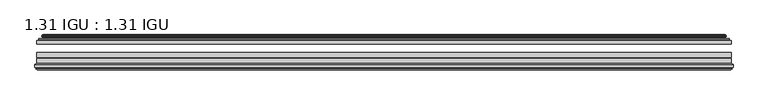
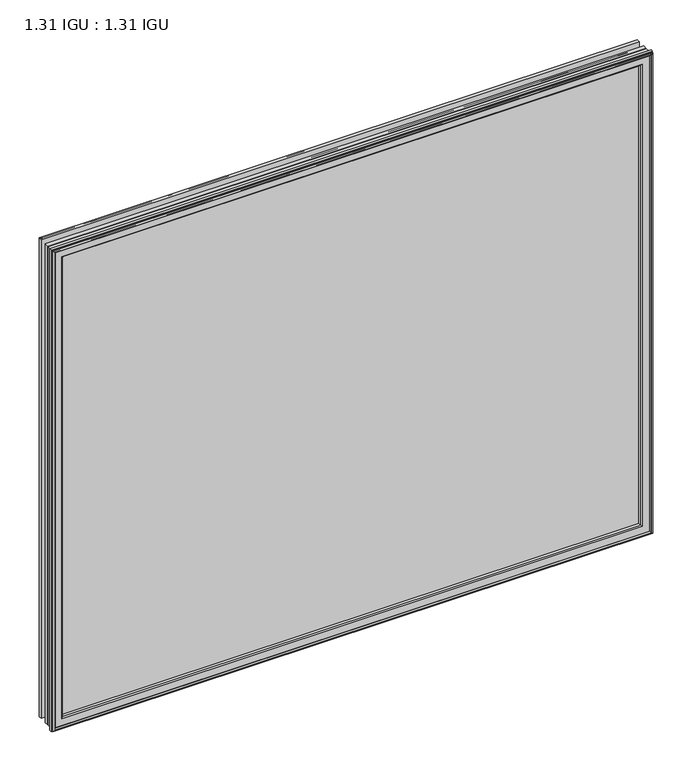
"""IFC4 building model written with IfcOpenShell, lengths in millimetres: plate geometry, 1.31 IGU : 1.31 IGU."""

from ifc_helpers import new_model, si_unit, frame, origin, place, context, project, spatial, polyline, ellipse_curve, outline, extrude, source, transform, mapped, element, save
from ifc_brep_helpers import plane_surface, cylinder_surface, revolved_surface, advanced_brep


def plate_1_31_igu_1_31_igu_18902fc0(model_context):
    return source(origin(), model_context, "Body", "SolidModel", [
        extrude(outline(polyline([(515.9319169, -44.8960875), (515.9319169, -50.4332875), (-515.9368519, -50.4332875), (-515.9368519, -44.8960875), (515.9319169, -44.8960875)])), frame((0.0, 0.0, -14.2875), z_axis=(0.0, 0.0, 1.0), x_axis=(1.0, 0.0, 0.0)), (0.0, 0.0, 1.0), 873.1260851),
        extrude(outline(polyline([(-515.9368519, -78.7796875), (-515.9368519, -71.7692875), (515.9319169, -71.7692875), (515.9319169, -78.7796875), (-515.9368519, -78.7796875)])), frame((0.0, 0.0, -14.2875), z_axis=(0.0, 0.0, 1.0), x_axis=(1.0, 0.0, 0.0)), (0.0, 0.0, 1.0), 873.1260851),
        extrude(outline(polyline([(-515.9368519, -70.2452875), (-515.9368519, -63.1332875), (515.9319169, -63.1332875), (515.9319169, -70.2452875), (-515.9368519, -70.2452875)])), frame((0.0, 0.0, -14.2875), z_axis=(0.0, 0.0, 1.0), x_axis=(1.0, 0.0, 0.0)), (0.0, 0.0, 1.0), 873.1260851),
        advanced_brep(
        [(-506.5915274, -37.7373382, 849.4932606), (-501.6498945, -36.3108875, 844.5516277), (-501.6498945, -36.3108875, -0.0005426), (-506.5915274, -37.7373382, -4.9421755), (-506.4264221, -36.9605789, 849.3281553), (-506.4264221, -36.9605789, -4.7770702), (-507.0219078, -36.4771203, 849.923641), (-507.0219078, -36.4771203, -5.3725559), (-508.2865436, -37.766076, 851.1882768), (-508.2865436, -37.766076, -6.6371917), (-508.2757268, -38.8797852, 851.17746), (-508.2757268, -38.8797852, -6.6263749), (-506.9942416, -40.1361433, 849.8959748), (-506.9942416, -40.1361433, -5.3448897), (-506.3892348, -39.649943, 849.290968), (-506.3892348, -39.649943, -4.7398829), (-506.9432491, -39.0959287, 849.8449823), (-506.9432491, -39.0959287, -5.2938972), (-504.6574407, -38.7029881, 847.5591739), (-504.6574407, -38.7029881, -3.0080887), (-503.1983676, -40.2107282, 846.1001008), (-503.1983676, -40.2107282, -1.5490157), (-503.4949495, -41.651269, 846.3966827), (-503.4949495, -41.651269, -1.8455976), (-504.266174, -42.2798875, 847.1679072), (-504.266174, -42.2798875, -2.6168221), (-512.5701503, -43.4871542, 855.4718835), (-512.2949489, -42.2798875, 855.1966821), (-512.2949489, -42.2798875, -10.6455969), (-512.5701503, -43.4871542, -10.9207984), (-509.1125817, -44.8960875, 852.0143149), (-509.1125817, -44.8960875, -7.4632297), (-498.0149579, -44.023302, 840.9166911), (-498.3702958, -44.8960875, 841.272029), (-498.3702958, -44.8960875, 3.2790561), (-498.0149579, -44.023302, 3.6343941), (-498.6861559, -43.3681812, 841.5878891), (-498.6861559, -43.3681812, 2.963196), (-500.3269465, -40.6686056, 843.2286797), (-500.3269465, -40.6686056, 1.3224054), (501.6498945, -36.3108875, -0.0005426), (506.5915274, -37.7373382, -4.9421755), (506.4264221, -36.9605789, -4.7770702), (507.0219078, -36.4771203, -5.3725559), (508.2865436, -37.766076, -6.6371917), (508.2757268, -38.8797852, -6.6263749), (506.9942416, -40.1361433, -5.3448897), (506.3892348, -39.649943, -4.7398829), (506.9432491, -39.0959287, -5.2938972), (504.6574407, -38.7029881, -3.0080887), (503.1983676, -40.2107282, -1.5490157), (503.4949495, -41.651269, -1.8455976), (504.266174, -42.2798875, -2.6168221), (512.2949489, -42.2798875, -10.6455969), (512.5701503, -43.4871542, -10.9207984), (509.1125817, -44.8960875, -7.4632297), (498.3702958, -44.8960875, 3.2790561), (498.0149579, -44.023302, 3.6343941), (498.6861559, -43.3681812, 2.963196), (500.3269465, -40.6686056, 1.3224054), (501.6498945, -36.3108875, 844.5516277), (506.5915274, -37.7373382, 849.4932606), (506.4264221, -36.9605789, 849.3281553), (507.0219078, -36.4771203, 849.923641), (508.2865436, -37.766076, 851.1882768), (508.2757268, -38.8797852, 851.17746), (506.9942416, -40.1361433, 849.8959748), (506.3892348, -39.649943, 849.290968), (506.9432491, -39.0959287, 849.8449823), (504.6574407, -38.7029881, 847.5591739), (503.1983676, -40.2107282, 846.1001008), (503.4949495, -41.651269, 846.3966827), (504.266174, -42.2798875, 847.1679072), (512.2949489, -42.2798875, 855.1966821), (512.5701503, -43.4871542, 855.4718835), (509.1125817, -44.8960875, 852.0143149), (498.3702958, -44.8960875, 841.272029), (498.0149579, -44.023302, 840.9166911), (498.6861559, -43.3681812, 841.5878891), (500.3269465, -40.6686056, 843.2286797)],
        [
            (0, 1),
            (1, 2),
            (2, 3),
            (3, 0),
            (4, 0),
            (3, 5),
            (5, 4),
            (6, 4, ellipse_curve(frame((-506.7469391, -36.746901, 849.6486723), z_axis=(-0.7071067811865475, 0.0, -0.7071067811865475), x_axis=(-0.7071067811865474, 0.0, 0.7071067811865476)), 0.5447741, 0.3852135)),
            (5, 7, ellipse_curve(frame((-506.7469391, -36.746901, -5.0975871), z_axis=(-0.7071067811865475, 0.0, 0.7071067811865475), x_axis=(0.7071067811865474, 0.0, 0.7071067811865476)), 0.5447741, 0.3852135)),
            (7, 6),
            (8, 6),
            (7, 9),
            (9, 8),
            (10, 8, ellipse_curve(frame((-507.7244906, -38.3175243, 850.6262238), z_axis=(-0.7071067811865475, 0.0, -0.7071067811865475), x_axis=(-0.7071067811865474, 0.0, 0.7071067811865476)), 1.1135518, 0.7874)),
            (9, 11, ellipse_curve(frame((-507.7244906, -38.3175243, -6.0751387), z_axis=(-0.7071067811865475, 0.0, 0.7071067811865475), x_axis=(0.7071067811865474, 0.0, 0.7071067811865476)), 1.1135518, 0.7874)),
            (11, 10),
            (12, 10),
            (11, 13),
            (13, 12),
            (14, 12, ellipse_curve(frame((-506.7206442, -39.8570738, 849.6223773), z_axis=(-0.7071067811865475, 0.0, -0.7071067811865475), x_axis=(-0.7071067811865474, 0.0, 0.7071067811865476)), 0.552694, 0.3908137)),
            (13, 15, ellipse_curve(frame((-506.7206442, -39.8570738, -5.0712922), z_axis=(-0.7071067811865475, 0.0, 0.7071067811865475), x_axis=(0.7071067811865474, 0.0, 0.7071067811865476)), 0.552694, 0.3908137)),
            (15, 14),
            (16, 14),
            (15, 17),
            (17, 16),
            (18, 16),
            (17, 19),
            (19, 18),
            (20, 18, ellipse_curve(frame((-504.442278, -39.954629, 847.3440112), z_axis=(0.7071067811865475, 0.0, 0.7071067811865475), x_axis=(0.7071067811865474, 0.0, -0.7071067811865476)), 1.7960512, 1.27)),
            (19, 21, ellipse_curve(frame((-504.442278, -39.954629, -2.7929261), z_axis=(0.7071067811865475, 0.0, -0.7071067811865475), x_axis=(-0.7071067811865474, 0.0, -0.7071067811865476)), 1.7960512, 1.27)),
            (21, 20),
            (22, 20),
            (21, 23),
            (23, 22),
            (24, 22, ellipse_curve(frame((-504.266174, -41.4924875, 847.1679072), z_axis=(0.7071067811865475, 0.0, 0.7071067811865475), x_axis=(0.7071067811865474, 0.0, -0.7071067811865476)), 1.1135518, 0.7874)),
            (23, 25, ellipse_curve(frame((-504.266174, -41.4924875, -2.6168221), z_axis=(0.7071067811865475, 0.0, -0.7071067811865475), x_axis=(-0.7071067811865474, 0.0, -0.7071067811865476)), 1.1135518, 0.7874)),
            (25, 24),
            (26, 27, ellipse_curve(frame((-512.2949489, -42.9148875, 855.1966821), z_axis=(-0.7071067811865475, 0.0, -0.7071067811865475), x_axis=(-0.7071067811865474, 0.0, 0.7071067811865476)), 0.8980256, 0.635)),
            (27, 28),
            (28, 29, ellipse_curve(frame((-512.2949489, -42.9148875, -10.6455969), z_axis=(-0.7071067811865475, 0.0, 0.7071067811865475), x_axis=(0.7071067811865474, 0.0, 0.7071067811865476)), 0.8980256, 0.635)),
            (29, 26),
            (30, 26),
            (29, 31),
            (31, 30),
            (32, 33, ellipse_curve(frame((-498.3702958, -44.3873602, 841.272029), z_axis=(-0.7071067811865475, 0.0, -0.7071067811865475), x_axis=(-0.7071067811865474, 0.0, 0.7071067811865476)), 0.719449, 0.5087273)),
            (33, 34),
            (34, 35, ellipse_curve(frame((-498.3702958, -44.3873602, 3.2790561), z_axis=(-0.7071067811865475, 0.0, 0.7071067811865475), x_axis=(0.7071067811865474, 0.0, 0.7071067811865476)), 0.719449, 0.5087273)),
            (35, 32),
            (36, 32),
            (35, 37),
            (37, 36),
            (38, 36, ellipse_curve(frame((-494.2507817, -38.823959, 837.1525149), z_axis=(0.7071067811865475, 0.0, 0.7071067811865475), x_axis=(0.7071067811865474, 0.0, -0.7071067811865476)), 8.9802561, 6.35)),
            (37, 39, ellipse_curve(frame((-494.2507817, -38.823959, 7.3985702), z_axis=(0.7071067811865475, 0.0, -0.7071067811865475), x_axis=(-0.7071067811865474, 0.0, -0.7071067811865476)), 8.9802561, 6.35)),
            (39, 38),
            (1, 38),
            (39, 2),
            (2, 40),
            (40, 41),
            (41, 3),
            (41, 42),
            (42, 5),
            (42, 43, ellipse_curve(frame((506.7469391, -36.746901, -5.0975871), z_axis=(-0.7071067811865475, 0.0, -0.7071067811865475), x_axis=(-0.7071067811865476, 0.0, 0.7071067811865474)), 0.5447741, 0.3852135)),
            (43, 7),
            (43, 44),
            (44, 9),
            (44, 45, ellipse_curve(frame((507.7244906, -38.3175243, -6.0751387), z_axis=(-0.7071067811865475, 0.0, -0.7071067811865475), x_axis=(-0.7071067811865476, 0.0, 0.7071067811865474)), 1.1135518, 0.7874)),
            (45, 11),
            (45, 46),
            (46, 13),
            (46, 47, ellipse_curve(frame((506.7206442, -39.8570738, -5.0712922), z_axis=(-0.7071067811865475, 0.0, -0.7071067811865475), x_axis=(-0.7071067811865476, 0.0, 0.7071067811865474)), 0.552694, 0.3908137)),
            (47, 15),
            (47, 48),
            (48, 17),
            (48, 49),
            (49, 19),
            (49, 50, ellipse_curve(frame((504.442278, -39.954629, -2.7929261), z_axis=(0.7071067811865475, 0.0, 0.7071067811865475), x_axis=(0.7071067811865476, 0.0, -0.7071067811865474)), 1.7960512, 1.27)),
            (50, 21),
            (50, 51),
            (51, 23),
            (51, 52, ellipse_curve(frame((504.266174, -41.4924875, -2.6168221), z_axis=(0.7071067811865475, 0.0, 0.7071067811865475), x_axis=(0.7071067811865476, 0.0, -0.7071067811865474)), 1.1135518, 0.7874)),
            (52, 25),
            (28, 53),
            (53, 54, ellipse_curve(frame((512.2949489, -42.9148875, -10.6455969), z_axis=(-0.7071067811865475, 0.0, -0.7071067811865475), x_axis=(-0.7071067811865476, 0.0, 0.7071067811865474)), 0.8980256, 0.635)),
            (54, 29),
            (54, 55),
            (55, 31),
            (34, 56),
            (56, 57, ellipse_curve(frame((498.3702958, -44.3873602, 3.2790561), z_axis=(-0.7071067811865475, 0.0, -0.7071067811865475), x_axis=(-0.7071067811865476, 0.0, 0.7071067811865474)), 0.719449, 0.5087273)),
            (57, 35),
            (57, 58),
            (58, 37),
            (58, 59, ellipse_curve(frame((494.2507817, -38.823959, 7.3985702), z_axis=(0.7071067811865475, 0.0, 0.7071067811865475), x_axis=(0.7071067811865476, 0.0, -0.7071067811865474)), 8.9802561, 6.35)),
            (59, 39),
            (59, 40),
            (40, 60),
            (60, 61),
            (61, 41),
            (61, 62),
            (62, 42),
            (62, 63, ellipse_curve(frame((506.7469391, -36.746901, 849.6486723), z_axis=(0.7071067811865475, 0.0, -0.7071067811865475), x_axis=(-0.7071067811865474, 0.0, -0.7071067811865476)), 0.5447741, 0.3852135)),
            (63, 43),
            (63, 64),
            (64, 44),
            (64, 65, ellipse_curve(frame((507.7244906, -38.3175243, 850.6262238), z_axis=(0.7071067811865475, 0.0, -0.7071067811865475), x_axis=(-0.7071067811865474, 0.0, -0.7071067811865476)), 1.1135518, 0.7874)),
            (65, 45),
            (65, 66),
            (66, 46),
            (66, 67, ellipse_curve(frame((506.7206442, -39.8570738, 849.6223773), z_axis=(0.7071067811865475, 0.0, -0.7071067811865475), x_axis=(-0.7071067811865474, 0.0, -0.7071067811865476)), 0.552694, 0.3908137)),
            (67, 47),
            (67, 68),
            (68, 48),
            (68, 69),
            (69, 49),
            (69, 70, ellipse_curve(frame((504.442278, -39.954629, 847.3440112), z_axis=(-0.7071067811865475, 0.0, 0.7071067811865475), x_axis=(0.7071067811865474, 0.0, 0.7071067811865476)), 1.7960512, 1.27)),
            (70, 50),
            (70, 71),
            (71, 51),
            (71, 72, ellipse_curve(frame((504.266174, -41.4924875, 847.1679072), z_axis=(-0.7071067811865475, 0.0, 0.7071067811865475), x_axis=(0.7071067811865474, 0.0, 0.7071067811865476)), 1.1135518, 0.7874)),
            (72, 52),
            (53, 73),
            (73, 74, ellipse_curve(frame((512.2949489, -42.9148875, 855.1966821), z_axis=(0.7071067811865475, 0.0, -0.7071067811865475), x_axis=(-0.7071067811865474, 0.0, -0.7071067811865476)), 0.8980256, 0.635)),
            (74, 54),
            (74, 75),
            (75, 55),
            (56, 76),
            (76, 77, ellipse_curve(frame((498.3702958, -44.3873602, 841.272029), z_axis=(0.7071067811865475, 0.0, -0.7071067811865475), x_axis=(-0.7071067811865474, 0.0, -0.7071067811865476)), 0.719449, 0.5087273)),
            (77, 57),
            (77, 78),
            (78, 58),
            (78, 79, ellipse_curve(frame((494.2507817, -38.823959, 837.1525149), z_axis=(-0.7071067811865475, 0.0, 0.7071067811865475), x_axis=(0.7071067811865474, 0.0, 0.7071067811865476)), 8.9802561, 6.35)),
            (79, 59),
            (79, 60),
            (60, 1),
            (0, 61),
            (4, 62),
            (6, 63),
            (8, 64),
            (10, 65),
            (12, 66),
            (14, 67),
            (16, 68),
            (18, 69),
            (20, 70),
            (22, 71),
            (24, 72),
            (27, 73),
            (26, 74),
            (30, 75),
            (33, 76),
            (32, 77),
            (36, 78),
            (38, 79),
        ],
        [
            plane_surface(frame((-501.6498945, -36.3108875, 844.5516277), z_axis=(-0.2773364928492854, 0.9607728502273877, 0.0), x_axis=(0.0, 0.0, -1.0))),
            plane_surface(frame((-506.5915274, -37.7373382, 849.4932606), z_axis=(0.9781476007338358, -0.2079116908176177, 0.0), x_axis=(0.0, 0.0, -1.0))),
            cylinder_surface(frame((-506.7469391, -36.746901, 876.3010851), z_axis=(0.0, 0.0, 1.0), x_axis=(-1.0, 0.0, 0.0)), 0.3852135),
            plane_surface(frame((-507.0219078, -36.4771203, 849.923641), z_axis=(-0.7138087599382162, 0.7003406701280928, 0.0), x_axis=(0.0, 0.0, -1.0))),
            cylinder_surface(frame((-507.7244906, -38.3175243, 876.3010851), z_axis=(0.0, 0.0, 1.0), x_axis=(-1.0, 0.0, 0.0)), 0.7874),
            plane_surface(frame((-508.2757268, -38.8797852, 851.17746), z_axis=(-0.7000714109283732, -0.7140728391423082, 0.0), x_axis=(0.0, 0.0, -1.0))),
            cylinder_surface(frame((-506.7206442, -39.8570738, 876.3010851), z_axis=(0.0, 0.0, 1.0), x_axis=(-1.0, 0.0, 0.0)), 0.3908137),
            plane_surface(frame((-506.3892348, -39.649943, 849.290968), z_axis=(0.7071067811861126, 0.7071067811869826, 0.0), x_axis=(0.0, 0.0, -1.0))),
            plane_surface(frame((-506.9432491, -39.0959287, 849.8449823), z_axis=(0.16941940671011482, -0.9855440449974789, 0.0), x_axis=(0.0, 0.0, -1.0))),
            revolved_surface(polyline([(-505.71227799999997, -39.954629, -4.0629260828783345), (-505.71227799999997, -39.954629, 848.6140111828782)]), (-504.442278, -39.954629, 876.3010851), (0.0, 0.0, -1.0)),
            plane_surface(frame((-503.1983676, -40.2107282, 846.1001008), z_axis=(-0.9794570432566897, 0.201652920670302, 0.0), x_axis=(0.0, 0.0, -1.0))),
            revolved_surface(polyline([(-505.05357399999997, -41.4924875, -3.4042221289824965), (-505.05357399999997, -41.4924875, 847.9553072289824)]), (-504.266174, -41.4924875, 876.3010851), (0.0, 0.0, -1.0)),
            cylinder_surface(frame((-512.2949489, -42.9148875, 876.3010851), z_axis=(0.0, 0.0, 1.0), x_axis=(-1.0, 0.0, 0.0)), 0.635),
            plane_surface(frame((-512.5701503, -43.4871542, 855.4718835), z_axis=(-0.37736447542757934, -0.9260648209954139, 0.0), x_axis=(0.0, 0.0, -1.0))),
            cylinder_surface(frame((-498.3702958, -44.3873602, 876.3010851), z_axis=(0.0, 0.0, 1.0), x_axis=(-1.0, 0.0, 0.0)), 0.5087273),
            plane_surface(frame((-498.0149579, -44.023302, 840.9166911), z_axis=(0.698484125849927, 0.7156255486884628, 0.0), x_axis=(0.0, 0.0, -1.0))),
            revolved_surface(polyline([(-500.6007817, -38.823959, 1.0485702148981773), (-500.6007817, -38.823959, 843.5025148851018)]), (-494.2507817, -38.823959, 876.3010851), (0.0, 0.0, -1.0)),
            plane_surface(frame((-500.3269465, -40.6686056, 843.2286797), z_axis=(0.9568763473517009, 0.2904955350411895, 0.0), x_axis=(0.0, 0.0, -1.0))),
            plane_surface(frame((-501.6498945, -36.3108875, -0.0005426), z_axis=(0.0, 0.9607728502273868, -0.2773364928492885), x_axis=(1.0, 0.0, 0.0))),
            plane_surface(frame((-506.5915274, -37.7373382, -4.9421755), z_axis=(0.0, -0.20791169081761454, 0.9781476007338364), x_axis=(1.0, 0.0, 0.0))),
            cylinder_surface(frame((-533.3993519, -36.746901, -5.0975871), z_axis=(-1.0, 0.0, 0.0), x_axis=(0.0, 0.0, -1.0)), 0.3852135),
            plane_surface(frame((-507.0219078, -36.4771203, -5.3725559), z_axis=(0.0, 0.7003406701280904, -0.7138087599382185), x_axis=(1.0, 0.0, 0.0))),
            cylinder_surface(frame((-533.3993519, -38.3175243, -6.0751387), z_axis=(-1.0, 0.0, 0.0), x_axis=(0.0, 0.0, -1.0)), 0.7874),
            plane_surface(frame((-508.2757268, -38.8797852, -6.6263749), z_axis=(0.0, -0.7140728391423105, -0.7000714109283709), x_axis=(1.0, 0.0, 0.0))),
            cylinder_surface(frame((-533.3993519, -39.8570738, -5.0712922), z_axis=(-1.0, 0.0, 0.0), x_axis=(0.0, 0.0, -1.0)), 0.3908137),
            plane_surface(frame((-506.3892348, -39.649943, -4.7398829), z_axis=(0.0, 0.7071067811869849, 0.7071067811861103), x_axis=(1.0, 0.0, 0.0))),
            plane_surface(frame((-506.9432491, -39.0959287, -5.2938972), z_axis=(0.0, -0.9855440449974784, 0.16941940671011801), x_axis=(1.0, 0.0, 0.0))),
            revolved_surface(polyline([(505.7122779828783, -39.954629, -4.0629261), (-505.7122779828782, -39.954629, -4.0629261)]), (-533.3993519, -39.954629, -2.7929261), (1.0, 0.0, 0.0)),
            plane_surface(frame((-503.1983676, -40.2107282, -1.5490157), z_axis=(0.0, 0.20165292067029883, -0.9794570432566904), x_axis=(1.0, 0.0, 0.0))),
            revolved_surface(polyline([(505.05357402898244, -41.4924875, -3.4042220999999997), (-505.05357402898244, -41.4924875, -3.4042220999999997)]), (-533.3993519, -41.4924875, -2.6168221), (1.0, 0.0, 0.0)),
            cylinder_surface(frame((-533.3993519, -42.9148875, -10.6455969), z_axis=(-1.0, 0.0, 0.0), x_axis=(0.0, 0.0, -1.0)), 0.635),
            plane_surface(frame((-512.5701503, -43.4871542, -10.9207984), z_axis=(0.0, -0.9260648209954151, -0.37736447542757634), x_axis=(1.0, 0.0, 0.0))),
            cylinder_surface(frame((-533.3993519, -44.3873602, 3.2790561), z_axis=(-1.0, 0.0, 0.0), x_axis=(0.0, 0.0, -1.0)), 0.5087273),
            plane_surface(frame((-498.0149579, -44.023302, 3.6343941), z_axis=(0.0, 0.7156255486884651, 0.6984841258499247), x_axis=(1.0, 0.0, 0.0))),
            revolved_surface(polyline([(500.600781685102, -38.823959, 1.0485702000000003), (-500.6007816851019, -38.823959, 1.0485702000000003)]), (-533.3993519, -38.823959, 7.3985702), (1.0, 0.0, 0.0)),
            plane_surface(frame((-500.3269465, -40.6686056, 1.3224054), z_axis=(0.0, 0.29049553504119263, 0.9568763473517), x_axis=(1.0, 0.0, 0.0))),
            plane_surface(frame((501.6498945, -36.3108875, -0.0005426), z_axis=(0.2773364928492916, 0.9607728502273859, 0.0), x_axis=(0.0, 0.0, 1.0))),
            plane_surface(frame((506.5915274, -37.7373382, -4.9421755), z_axis=(-0.9781476007338371, -0.20791169081761138, 0.0), x_axis=(0.0, 0.0, 1.0))),
            cylinder_surface(frame((506.7469391, -36.746901, -31.75), z_axis=(0.0, 0.0, -1.0), x_axis=(1.0, 0.0, 0.0)), 0.3852135),
            plane_surface(frame((507.0219078, -36.4771203, -5.3725559), z_axis=(0.7138087599382208, 0.7003406701280882, 0.0), x_axis=(0.0, 0.0, 1.0))),
            cylinder_surface(frame((507.7244906, -38.3175243, -31.75), z_axis=(0.0, 0.0, -1.0), x_axis=(1.0, 0.0, 0.0)), 0.7874),
            plane_surface(frame((508.2757268, -38.8797852, -6.6263749), z_axis=(0.7000714109283687, -0.7140728391423128, 0.0), x_axis=(0.0, 0.0, 1.0))),
            cylinder_surface(frame((506.7206442, -39.8570738, -31.75), z_axis=(0.0, 0.0, -1.0), x_axis=(1.0, 0.0, 0.0)), 0.3908137),
            plane_surface(frame((506.3892348, -39.649943, -4.7398829), z_axis=(-0.7071067811861079, 0.7071067811869872, 0.0), x_axis=(0.0, 0.0, 1.0))),
            plane_surface(frame((506.9432491, -39.0959287, -5.2938972), z_axis=(-0.1694194067101212, -0.9855440449974778, 0.0), x_axis=(0.0, 0.0, 1.0))),
            revolved_surface(polyline([(505.71227799999997, -39.954629, 848.6140111828782), (505.71227799999997, -39.954629, -4.062926082878235)]), (504.442278, -39.954629, -31.75), (0.0, 0.0, 1.0)),
            plane_surface(frame((503.1983676, -40.2107282, -1.5490157), z_axis=(0.979457043256691, 0.20165292067029567, 0.0), x_axis=(0.0, 0.0, 1.0))),
            revolved_surface(polyline([(505.05357399999997, -41.4924875, 847.9553072289824), (505.05357399999997, -41.4924875, -3.404222128982486)]), (504.266174, -41.4924875, -31.75), (0.0, 0.0, 1.0)),
            cylinder_surface(frame((512.2949489, -42.9148875, -31.75), z_axis=(0.0, 0.0, -1.0), x_axis=(1.0, 0.0, 0.0)), 0.635),
            plane_surface(frame((512.5701503, -43.4871542, -10.9207984), z_axis=(0.37736447542757334, -0.9260648209954163, 0.0), x_axis=(0.0, 0.0, 1.0))),
            cylinder_surface(frame((498.3702958, -44.3873602, -31.75), z_axis=(0.0, 0.0, -1.0), x_axis=(1.0, 0.0, 0.0)), 0.5087273),
            plane_surface(frame((498.0149579, -44.023302, 3.6343941), z_axis=(-0.6984841258499224, 0.7156255486884673, 0.0), x_axis=(0.0, 0.0, 1.0))),
            revolved_surface(polyline([(500.6007817, -38.823959, 843.5025148851018), (500.6007817, -38.823959, 1.0485702148981417)]), (494.2507817, -38.823959, -31.75), (0.0, 0.0, 1.0)),
            plane_surface(frame((500.3269465, -40.6686056, 1.3224054), z_axis=(-0.9568763473516991, 0.29049553504119574, 0.0), x_axis=(0.0, 0.0, 1.0))),
            plane_surface(frame((501.6498945, -36.3108875, 844.5516277), z_axis=(0.0, 0.9607728502273868, 0.2773364928492885), x_axis=(-1.0, 0.0, 0.0))),
            plane_surface(frame((506.5915274, -37.7373382, 849.4932606), z_axis=(0.0, -0.20791169081761454, -0.9781476007338364), x_axis=(-1.0, 0.0, 0.0))),
            cylinder_surface(frame((533.3993519, -36.746901, 849.6486723), z_axis=(1.0, 0.0, 0.0), x_axis=(0.0, 0.0, 1.0)), 0.3852135),
            plane_surface(frame((507.0219078, -36.4771203, 849.923641), z_axis=(0.0, 0.7003406701280904, 0.7138087599382185), x_axis=(-1.0, 0.0, 0.0))),
            cylinder_surface(frame((533.3993519, -38.3175243, 850.6262238), z_axis=(1.0, 0.0, 0.0), x_axis=(0.0, 0.0, 1.0)), 0.7874),
            plane_surface(frame((508.2757268, -38.8797852, 851.17746), z_axis=(0.0, -0.7140728391423106, 0.700071410928371), x_axis=(-1.0, 0.0, 0.0))),
            cylinder_surface(frame((533.3993519, -39.8570738, 849.6223773), z_axis=(1.0, 0.0, 0.0), x_axis=(0.0, 0.0, 1.0)), 0.3908137),
            plane_surface(frame((506.3892348, -39.649943, 849.290968), z_axis=(0.0, 0.7071067811869849, -0.7071067811861103), x_axis=(-1.0, 0.0, 0.0))),
            plane_surface(frame((506.9432491, -39.0959287, 849.8449823), z_axis=(0.0, -0.9855440449974784, -0.16941940671011801), x_axis=(-1.0, 0.0, 0.0))),
            revolved_surface(polyline([(-505.7122779828783, -39.954629, 848.6140111999999), (505.7122779828782, -39.954629, 848.6140111999999)]), (533.3993519, -39.954629, 847.3440112), (-1.0, 0.0, 0.0)),
            plane_surface(frame((503.1983676, -40.2107282, 846.1001008), z_axis=(0.0, 0.20165292067029883, 0.9794570432566904), x_axis=(-1.0, 0.0, 0.0))),
            revolved_surface(polyline([(-505.05357402898244, -41.4924875, 847.9553072), (505.05357402898244, -41.4924875, 847.9553072)]), (533.3993519, -41.4924875, 847.1679072), (-1.0, 0.0, 0.0)),
            plane_surface(frame((504.266174, -42.2798875, 847.1679072), z_axis=(0.0, 1.0, 0.0), x_axis=(-1.0, 0.0, 0.0))),
            cylinder_surface(frame((533.3993519, -42.9148875, 855.1966821), z_axis=(1.0, 0.0, 0.0), x_axis=(0.0, 0.0, 1.0)), 0.635),
            plane_surface(frame((512.5701503, -43.4871542, 855.4718835), z_axis=(0.0, -0.9260648209954151, 0.37736447542757634), x_axis=(-1.0, 0.0, 0.0))),
            plane_surface(frame((509.1125817, -44.8960875, 852.0143149), z_axis=(0.0, -1.0, 0.0), x_axis=(-1.0, 0.0, 0.0))),
            cylinder_surface(frame((533.3993519, -44.3873602, 841.272029), z_axis=(1.0, 0.0, 0.0), x_axis=(0.0, 0.0, 1.0)), 0.5087273),
            plane_surface(frame((498.0149579, -44.023302, 840.9166911), z_axis=(0.0, 0.7156255486884651, -0.6984841258499247), x_axis=(-1.0, 0.0, 0.0))),
            revolved_surface(polyline([(-500.600781685102, -38.823959, 843.5025149), (500.6007816851019, -38.823959, 843.5025149)]), (533.3993519, -38.823959, 837.1525149), (-1.0, 0.0, 0.0)),
            plane_surface(frame((500.3269465, -40.6686056, 843.2286797), z_axis=(0.0, 0.29049553504119263, -0.9568763473517), x_axis=(-1.0, 0.0, 0.0))),
        ],
        [
            (0, [[1, 2, 3, 4]]),
            (1, [[5, -4, 6, 7]]),
            (2, [[8, -7, 9, 10]]),
            (3, [[11, -10, 12, 13]]),
            (4, [[14, -13, 15, 16]]),
            (5, [[17, -16, 18, 19]]),
            (6, [[20, -19, 21, 22]]),
            (7, [[23, -22, 24, 25]]),
            (8, [[26, -25, 27, 28]]),
            (9, [[29, -28, 30, 31]]),
            (10, [[32, -31, 33, 34]]),
            (11, [[35, -34, 36, 37]]),
            (12, [[38, 39, 40, 41]]),
            (13, [[42, -41, 43, 44]]),
            (14, [[45, 46, 47, 48]]),
            (15, [[49, -48, 50, 51]]),
            (16, [[52, -51, 53, 54]]),
            (17, [[55, -54, 56, -2]]),
            (18, [[-3, 57, 58, 59]]),
            (19, [[-6, -59, 60, 61]]),
            (20, [[-9, -61, 62, 63]]),
            (21, [[-12, -63, 64, 65]]),
            (22, [[-15, -65, 66, 67]]),
            (23, [[-18, -67, 68, 69]]),
            (24, [[-21, -69, 70, 71]]),
            (25, [[-24, -71, 72, 73]]),
            (26, [[-27, -73, 74, 75]]),
            (27, [[-30, -75, 76, 77]]),
            (28, [[-33, -77, 78, 79]]),
            (29, [[-36, -79, 80, 81]]),
            (30, [[-40, 82, 83, 84]]),
            (31, [[-43, -84, 85, 86]]),
            (32, [[-47, 87, 88, 89]]),
            (33, [[-50, -89, 90, 91]]),
            (34, [[-53, -91, 92, 93]]),
            (35, [[-56, -93, 94, -57]]),
            (36, [[-58, 95, 96, 97]]),
            (37, [[-60, -97, 98, 99]]),
            (38, [[-62, -99, 100, 101]]),
            (39, [[-64, -101, 102, 103]]),
            (40, [[-66, -103, 104, 105]]),
            (41, [[-68, -105, 106, 107]]),
            (42, [[-70, -107, 108, 109]]),
            (43, [[-72, -109, 110, 111]]),
            (44, [[-74, -111, 112, 113]]),
            (45, [[-76, -113, 114, 115]]),
            (46, [[-78, -115, 116, 117]]),
            (47, [[-80, -117, 118, 119]]),
            (48, [[-83, 120, 121, 122]]),
            (49, [[-85, -122, 123, 124]]),
            (50, [[-88, 125, 126, 127]]),
            (51, [[-90, -127, 128, 129]]),
            (52, [[-92, -129, 130, 131]]),
            (53, [[-94, -131, 132, -95]]),
            (54, [[-96, 133, -1, 134]]),
            (55, [[-98, -134, -5, 135]]),
            (56, [[-100, -135, -8, 136]]),
            (57, [[-102, -136, -11, 137]]),
            (58, [[-104, -137, -14, 138]]),
            (59, [[-106, -138, -17, 139]]),
            (60, [[-108, -139, -20, 140]]),
            (61, [[-110, -140, -23, 141]]),
            (62, [[-112, -141, -26, 142]]),
            (63, [[-114, -142, -29, 143]]),
            (64, [[-116, -143, -32, 144]]),
            (65, [[-118, -144, -35, 145]]),
            (66, [[146, -120, -82, -39], [-81, -119, -145, -37]]),
            (67, [[-121, -146, -38, 147]]),
            (68, [[-123, -147, -42, 148]]),
            (69, [[-86, -124, -148, -44], [149, -125, -87, -46]]),
            (70, [[-126, -149, -45, 150]]),
            (71, [[-128, -150, -49, 151]]),
            (72, [[-130, -151, -52, 152]]),
            (73, [[-132, -152, -55, -133]]),
        ],
    ),
        advanced_brep(
        [(-498.9618013, -83.3389875, 841.8635345), (-500.7368674, -85.1296875, 843.6386006), (-500.7368674, -85.1296875, 0.9124845), (-498.9618013, -83.3389875, 2.6875506), (-497.9385921, -78.7796875, 840.8403253), (-497.9385921, -78.7796875, 3.7107599), (-518.519301, -80.9740477, 861.4210342), (-516.3249408, -78.7796875, 859.226674), (-516.3249408, -78.7796875, -14.6755889), (-518.519301, -80.9740477, -16.8699491), (-518.519301, -85.1296875, 861.4210342), (-518.519301, -85.1296875, -16.8699491), (-515.9942409, -86.3747112, 858.895974), (-516.7454678, -85.1296875, 859.647201), (-516.7454678, -85.1296875, -15.0961159), (-515.9942409, -86.3747112, -14.3448889), (-515.6847118, -87.6502863, 858.5864449), (-515.6847118, -87.6502863, -14.0353598), (-516.7028251, -87.2076396, 859.6045583), (-516.7028251, -87.2076396, -15.0534732), (-515.0158358, -88.8840626, 857.917569), (-517.4975352, -87.2076396, 860.3992684), (-517.4975352, -87.2076396, -15.8481832), (-515.0158358, -88.8840626, -13.3664838), (-512.8640104, -86.9401656, 855.7657436), (-512.8640104, -86.9401656, -11.2146584), (-514.5713646, -87.5528811, 857.4730977), (-513.6455834, -86.9401656, 856.5473166), (-513.6455834, -86.9401656, -11.9962314), (-514.5713646, -87.5528811, -12.9220126), (-514.4880392, -86.2429356, 857.3897724), (-514.4880392, -86.2429356, -12.8386873), (-513.8898012, -85.1296875, 856.7915344), (-513.8898012, -85.1296875, -12.2404492), (500.7368674, -85.1296875, 0.9124845), (498.9618013, -83.3389875, 2.6875506), (497.9385921, -78.7796875, 3.7107599), (516.3249408, -78.7796875, -14.6755889), (518.519301, -80.9740477, -16.8699491), (518.519301, -85.1296875, -16.8699491), (516.7454678, -85.1296875, -15.0961159), (515.9942409, -86.3747112, -14.3448889), (515.6847118, -87.6502863, -14.0353598), (516.7028251, -87.2076396, -15.0534732), (517.4975352, -87.2076396, -15.8481832), (515.0158358, -88.8840626, -13.3664838), (512.8640104, -86.9401656, -11.2146584), (513.6455834, -86.9401656, -11.9962314), (514.5713646, -87.5528811, -12.9220126), (514.4880392, -86.2429356, -12.8386873), (513.8898012, -85.1296875, -12.2404492), (500.7368674, -85.1296875, 843.6386006), (498.9618013, -83.3389875, 841.8635345), (497.9385921, -78.7796875, 840.8403253), (516.3249408, -78.7796875, 859.226674), (518.519301, -80.9740477, 861.4210342), (518.519301, -85.1296875, 861.4210342), (516.7454678, -85.1296875, 859.647201), (515.9942409, -86.3747112, 858.895974), (515.6847118, -87.6502863, 858.5864449), (516.7028251, -87.2076396, 859.6045583), (517.4975352, -87.2076396, 860.3992684), (515.0158358, -88.8840626, 857.917569), (512.8640104, -86.9401656, 855.7657436), (513.6455834, -86.9401656, 856.5473166), (514.5713646, -87.5528811, 857.4730977), (514.4880392, -86.2429356, 857.3897724), (513.8898012, -85.1296875, 856.7915344)],
        [
            (0, 1, ellipse_curve(frame((-500.9883024, -83.1053133, 843.8900356), z_axis=(-0.7071067811865475, 0.0, -0.7071067811865475), x_axis=(-0.7071067811865474, 0.0, 0.7071067811865476)), 2.8848953, 2.039929)),
            (1, 2),
            (2, 3, ellipse_curve(frame((-500.9883024, -83.1053133, 0.6610495), z_axis=(-0.7071067811865475, 0.0, 0.7071067811865475), x_axis=(0.7071067811865474, 0.0, 0.7071067811865476)), 2.8848953, 2.039929)),
            (3, 0),
            (4, 0),
            (3, 5),
            (5, 4),
            (6, 7),
            (7, 8),
            (8, 9),
            (9, 6),
            (10, 6),
            (9, 11),
            (11, 10),
            (12, 13),
            (13, 14),
            (14, 15),
            (15, 12),
            (16, 12),
            (15, 17),
            (17, 16),
            (18, 16),
            (17, 19),
            (19, 18),
            (20, 21),
            (21, 22),
            (22, 23),
            (23, 20),
            (24, 20),
            (23, 25),
            (25, 24),
            (26, 27),
            (27, 28),
            (28, 29),
            (29, 26),
            (30, 26),
            (29, 31),
            (31, 30),
            (32, 30),
            (31, 33),
            (33, 32),
            (2, 34),
            (34, 35, ellipse_curve(frame((500.9883024, -83.1053133, 0.6610495), z_axis=(-0.7071067811865475, 0.0, -0.7071067811865475), x_axis=(-0.7071067811865476, 0.0, 0.7071067811865474)), 2.8848953, 2.039929)),
            (35, 3),
            (35, 36),
            (36, 5),
            (8, 37),
            (37, 38),
            (38, 9),
            (38, 39),
            (39, 11),
            (14, 40),
            (40, 41),
            (41, 15),
            (41, 42),
            (42, 17),
            (42, 43),
            (43, 19),
            (22, 44),
            (44, 45),
            (45, 23),
            (45, 46),
            (46, 25),
            (28, 47),
            (47, 48),
            (48, 29),
            (48, 49),
            (49, 31),
            (49, 50),
            (50, 33),
            (34, 51),
            (51, 52, ellipse_curve(frame((500.9883024, -83.1053133, 843.8900356), z_axis=(0.7071067811865475, 0.0, -0.7071067811865475), x_axis=(-0.7071067811865474, 0.0, -0.7071067811865476)), 2.8848953, 2.039929)),
            (52, 35),
            (52, 53),
            (53, 36),
            (37, 54),
            (54, 55),
            (55, 38),
            (55, 56),
            (56, 39),
            (40, 57),
            (57, 58),
            (58, 41),
            (58, 59),
            (59, 42),
            (59, 60),
            (60, 43),
            (44, 61),
            (61, 62),
            (62, 45),
            (62, 63),
            (63, 46),
            (47, 64),
            (64, 65),
            (65, 48),
            (65, 66),
            (66, 49),
            (66, 67),
            (67, 50),
            (51, 1),
            (0, 52),
            (4, 53),
            (7, 54),
            (6, 55),
            (10, 56),
            (13, 57),
            (12, 58),
            (16, 59),
            (18, 60),
            (21, 61),
            (20, 62),
            (24, 63),
            (27, 64),
            (26, 65),
            (30, 66),
            (32, 67),
        ],
        [
            cylinder_surface(frame((-500.9883024, -83.1053133, 876.3010851), z_axis=(0.0, 0.0, 1.0), x_axis=(-1.0, 0.0, 0.0)), 2.039929),
            plane_surface(frame((-498.9618013, -83.3389875, 841.8635345), z_axis=(0.9757302952562701, -0.2189757770145185, 0.0), x_axis=(0.0, 0.0, -1.0))),
            plane_surface(frame((-516.3249408, -78.7796875, 859.226674), z_axis=(-0.7071067811871722, 0.7071067811859229, 0.0), x_axis=(0.0, 0.0, -1.0))),
            plane_surface(frame((-518.519301, -80.9740477, 861.4210342), z_axis=(-1.0, 0.0, 0.0), x_axis=(0.0, 0.0, -1.0))),
            plane_surface(frame((-516.7454678, -85.1296875, 859.647201), z_axis=(-0.8562121193263807, -0.516624434883434, 0.0), x_axis=(0.0, 0.0, -1.0))),
            plane_surface(frame((-515.9942409, -86.3747112, 858.895974), z_axis=(-0.9717979666139347, -0.23581499546259124, 0.0), x_axis=(0.0, 0.0, -1.0))),
            plane_surface(frame((-515.6847118, -87.6502863, 858.5864449), z_axis=(0.3987175451776161, 0.9170737806564615, 0.0), x_axis=(0.0, 0.0, -1.0))),
            plane_surface(frame((-517.4975352, -87.2076396, 860.3992684), z_axis=(-0.5597655002239059, -0.8286510633306884, 0.0), x_axis=(0.0, 0.0, -1.0))),
            plane_surface(frame((-515.0158358, -88.8840626, 857.917569), z_axis=(0.670345652676111, -0.7420489916024674, 0.0), x_axis=(0.0, 0.0, -1.0))),
            plane_surface(frame((-513.6455834, -86.9401656, 856.5473166), z_axis=(-0.5519083205498945, 0.8339047941508642, 0.0), x_axis=(0.0, 0.0, -1.0))),
            plane_surface(frame((-514.5713646, -87.5528811, 857.4730977), z_axis=(0.9979830161114805, -0.06348148984572213, 0.0), x_axis=(0.0, 0.0, -1.0))),
            plane_surface(frame((-514.4880392, -86.2429356, 857.3897724), z_axis=(0.8808682216207324, -0.47336157019632297, 0.0), x_axis=(0.0, 0.0, -1.0))),
            cylinder_surface(frame((-533.3993519, -83.1053133, 0.6610495), z_axis=(-1.0, 0.0, 0.0), x_axis=(0.0, 0.0, -1.0)), 2.039929),
            plane_surface(frame((-498.9618013, -83.3389875, 2.6875506), z_axis=(0.0, -0.21897577701451534, 0.9757302952562708), x_axis=(1.0, 0.0, 0.0))),
            plane_surface(frame((-516.3249408, -78.7796875, -14.6755889), z_axis=(0.0, 0.7071067811859205, -0.7071067811871745), x_axis=(1.0, 0.0, 0.0))),
            plane_surface(frame((-518.519301, -80.9740477, -16.8699491), z_axis=(0.0, 0.0, -1.0), x_axis=(1.0, 0.0, 0.0))),
            plane_surface(frame((-516.7454678, -85.1296875, -15.0961159), z_axis=(0.0, -0.5166244348834368, -0.8562121193263791), x_axis=(1.0, 0.0, 0.0))),
            plane_surface(frame((-515.9942409, -86.3747112, -14.3448889), z_axis=(0.0, -0.23581499546259438, -0.9717979666139339), x_axis=(1.0, 0.0, 0.0))),
            plane_surface(frame((-515.6847118, -87.6502863, -14.0353598), z_axis=(0.0, 0.9170737806564628, 0.39871754517761315), x_axis=(1.0, 0.0, 0.0))),
            plane_surface(frame((-517.4975352, -87.2076396, -15.8481832), z_axis=(0.0, -0.8286510633306902, -0.5597655002239033), x_axis=(1.0, 0.0, 0.0))),
            plane_surface(frame((-515.0158358, -88.8840626, -13.3664838), z_axis=(0.0, -0.7420489916024652, 0.6703456526761135), x_axis=(1.0, 0.0, 0.0))),
            plane_surface(frame((-513.6455834, -86.9401656, -11.9962314), z_axis=(0.0, 0.8339047941508624, -0.5519083205498971), x_axis=(1.0, 0.0, 0.0))),
            plane_surface(frame((-514.5713646, -87.5528811, -12.9220126), z_axis=(0.0, -0.0634814898457189, 0.9979830161114808), x_axis=(1.0, 0.0, 0.0))),
            plane_surface(frame((-514.4880392, -86.2429356, -12.8386873), z_axis=(0.0, -0.47336157019632014, 0.880868221620734), x_axis=(1.0, 0.0, 0.0))),
            cylinder_surface(frame((500.9883024, -83.1053133, -31.75), z_axis=(0.0, 0.0, -1.0), x_axis=(1.0, 0.0, 0.0)), 2.039929),
            plane_surface(frame((498.9618013, -83.3389875, 2.6875506), z_axis=(-0.9757302952562714, -0.21897577701451218, 0.0), x_axis=(0.0, 0.0, 1.0))),
            plane_surface(frame((516.3249408, -78.7796875, -14.6755889), z_axis=(0.7071067811871768, 0.7071067811859182, 0.0), x_axis=(0.0, 0.0, 1.0))),
            plane_surface(frame((518.519301, -80.9740477, -16.8699491), z_axis=(1.0, 0.0, 0.0), x_axis=(0.0, 0.0, 1.0))),
            plane_surface(frame((516.7454678, -85.1296875, -15.0961159), z_axis=(0.8562121193263774, -0.5166244348834396, 0.0), x_axis=(0.0, 0.0, 1.0))),
            plane_surface(frame((515.9942409, -86.3747112, -14.3448889), z_axis=(0.9717979666139331, -0.23581499546259752, 0.0), x_axis=(0.0, 0.0, 1.0))),
            plane_surface(frame((515.6847118, -87.6502863, -14.0353598), z_axis=(-0.3987175451776102, 0.9170737806564642, 0.0), x_axis=(0.0, 0.0, 1.0))),
            plane_surface(frame((517.4975352, -87.2076396, -15.8481832), z_axis=(0.5597655002239006, -0.8286510633306919, 0.0), x_axis=(0.0, 0.0, 1.0))),
            plane_surface(frame((515.0158358, -88.8840626, -13.3664838), z_axis=(-0.6703456526761159, -0.742048991602463, 0.0), x_axis=(0.0, 0.0, 1.0))),
            plane_surface(frame((513.6455834, -86.9401656, -11.9962314), z_axis=(0.5519083205498998, 0.8339047941508606, 0.0), x_axis=(0.0, 0.0, 1.0))),
            plane_surface(frame((514.5713646, -87.5528811, -12.9220126), z_axis=(-0.997983016111481, -0.06348148984571567, 0.0), x_axis=(0.0, 0.0, 1.0))),
            plane_surface(frame((514.4880392, -86.2429356, -12.8386873), z_axis=(-0.8808682216207355, -0.4733615701963173, 0.0), x_axis=(0.0, 0.0, 1.0))),
            cylinder_surface(frame((533.3993519, -83.1053133, 843.8900356), z_axis=(1.0, 0.0, 0.0), x_axis=(0.0, 0.0, 1.0)), 2.039929),
            plane_surface(frame((498.9618013, -83.3389875, 841.8635345), z_axis=(0.0, -0.21897577701451534, -0.9757302952562708), x_axis=(-1.0, 0.0, 0.0))),
            plane_surface(frame((497.9385921, -78.7796875, 840.8403253), z_axis=(0.0, 1.0, 0.0), x_axis=(-1.0, 0.0, 0.0))),
            plane_surface(frame((516.3249408, -78.7796875, 859.226674), z_axis=(0.0, 0.7071067811859205, 0.7071067811871745), x_axis=(-1.0, 0.0, 0.0))),
            plane_surface(frame((518.519301, -80.9740477, 861.4210342), z_axis=(0.0, 0.0, 1.0), x_axis=(-1.0, 0.0, 0.0))),
            plane_surface(frame((518.519301, -85.1296875, 861.4210342), z_axis=(0.0, -1.0, 0.0), x_axis=(-1.0, 0.0, 0.0))),
            plane_surface(frame((516.7454678, -85.1296875, 859.647201), z_axis=(0.0, -0.5166244348834368, 0.8562121193263791), x_axis=(-1.0, 0.0, 0.0))),
            plane_surface(frame((515.9942409, -86.3747112, 858.895974), z_axis=(0.0, -0.23581499546259438, 0.9717979666139339), x_axis=(-1.0, 0.0, 0.0))),
            plane_surface(frame((515.6847118, -87.6502863, 858.5864449), z_axis=(0.0, 0.9170737806564628, -0.39871754517761315), x_axis=(-1.0, 0.0, 0.0))),
            plane_surface(frame((516.7028251, -87.2076396, 859.6045583), z_axis=(0.0, 1.0, 0.0), x_axis=(-1.0, 0.0, 0.0))),
            plane_surface(frame((517.4975352, -87.2076396, 860.3992684), z_axis=(0.0, -0.8286510633306902, 0.5597655002239033), x_axis=(-1.0, 0.0, 0.0))),
            plane_surface(frame((515.0158358, -88.8840626, 857.917569), z_axis=(0.0, -0.7420489916024652, -0.6703456526761135), x_axis=(-1.0, 0.0, 0.0))),
            plane_surface(frame((512.8640104, -86.9401656, 855.7657436), z_axis=(0.0, 1.0, 0.0), x_axis=(-1.0, 0.0, 0.0))),
            plane_surface(frame((513.6455834, -86.9401656, 856.5473166), z_axis=(0.0, 0.8339047941508624, 0.5519083205498971), x_axis=(-1.0, 0.0, 0.0))),
            plane_surface(frame((514.5713646, -87.5528811, 857.4730977), z_axis=(0.0, -0.0634814898457189, -0.9979830161114808), x_axis=(-1.0, 0.0, 0.0))),
            plane_surface(frame((514.4880392, -86.2429356, 857.3897724), z_axis=(0.0, -0.47336157019632014, -0.880868221620734), x_axis=(-1.0, 0.0, 0.0))),
            plane_surface(frame((513.8898012, -85.1296875, 856.7915344), z_axis=(0.0, -1.0, 0.0), x_axis=(-1.0, 0.0, 0.0))),
        ],
        [
            (0, [[1, 2, 3, 4]]),
            (1, [[5, -4, 6, 7]]),
            (2, [[8, 9, 10, 11]]),
            (3, [[12, -11, 13, 14]]),
            (4, [[15, 16, 17, 18]]),
            (5, [[19, -18, 20, 21]]),
            (6, [[22, -21, 23, 24]]),
            (7, [[25, 26, 27, 28]]),
            (8, [[29, -28, 30, 31]]),
            (9, [[32, 33, 34, 35]]),
            (10, [[36, -35, 37, 38]]),
            (11, [[39, -38, 40, 41]]),
            (12, [[-3, 42, 43, 44]]),
            (13, [[-6, -44, 45, 46]]),
            (14, [[-10, 47, 48, 49]]),
            (15, [[-13, -49, 50, 51]]),
            (16, [[-17, 52, 53, 54]]),
            (17, [[-20, -54, 55, 56]]),
            (18, [[-23, -56, 57, 58]]),
            (19, [[-27, 59, 60, 61]]),
            (20, [[-30, -61, 62, 63]]),
            (21, [[-34, 64, 65, 66]]),
            (22, [[-37, -66, 67, 68]]),
            (23, [[-40, -68, 69, 70]]),
            (24, [[-43, 71, 72, 73]]),
            (25, [[-45, -73, 74, 75]]),
            (26, [[-48, 76, 77, 78]]),
            (27, [[-50, -78, 79, 80]]),
            (28, [[-53, 81, 82, 83]]),
            (29, [[-55, -83, 84, 85]]),
            (30, [[-57, -85, 86, 87]]),
            (31, [[-60, 88, 89, 90]]),
            (32, [[-62, -90, 91, 92]]),
            (33, [[-65, 93, 94, 95]]),
            (34, [[-67, -95, 96, 97]]),
            (35, [[-69, -97, 98, 99]]),
            (36, [[-72, 100, -1, 101]]),
            (37, [[-74, -101, -5, 102]]),
            (38, [[103, -76, -47, -9], [-46, -75, -102, -7]]),
            (39, [[-77, -103, -8, 104]]),
            (40, [[-79, -104, -12, 105]]),
            (41, [[-51, -80, -105, -14], [106, -81, -52, -16]]),
            (42, [[-82, -106, -15, 107]]),
            (43, [[-84, -107, -19, 108]]),
            (44, [[-86, -108, -22, 109]]),
            (45, [[110, -88, -59, -26], [-58, -87, -109, -24]]),
            (46, [[-89, -110, -25, 111]]),
            (47, [[-91, -111, -29, 112]]),
            (48, [[113, -93, -64, -33], [-63, -92, -112, -31]]),
            (49, [[-94, -113, -32, 114]]),
            (50, [[-96, -114, -36, 115]]),
            (51, [[-98, -115, -39, 116]]),
            (52, [[-70, -99, -116, -41], [-100, -71, -42, -2]]),
        ],
    ),
    ])


if __name__ == "__main__":
    model = new_model("IFC4")
    model_context = context("Model", 3, world=origin())
    ifc_project = project(units=[si_unit("LENGTHUNIT", "METRE", prefix="MILLI")], contexts=[model_context])
    site = spatial("IfcSite", under=ifc_project)
    building = spatial("IfcBuilding", under=site)
    placement = place(None, origin())
    plate_1_31_igu_1_31_igu_shape = plate_1_31_igu_1_31_igu_18902fc0(model_context)
    element("IfcPlate", 1, ObjectType="1.31 IGU : 1.31 IGU", at=placement, inside=building, context=model_context, shape_type="MappedRepresentation", body=[
        mapped(plate_1_31_igu_1_31_igu_shape, transform((0.0, 0.0, 0.0), x_axis=(1.0, 0.0, 0.0), y_axis=(0.0, 1.0, 0.0), z_axis=(0.0, 0.0, 1.0))),
    ])
    save(model, "model.ifc")
